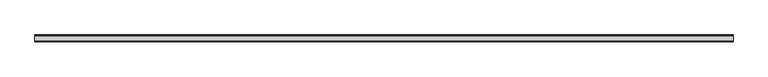
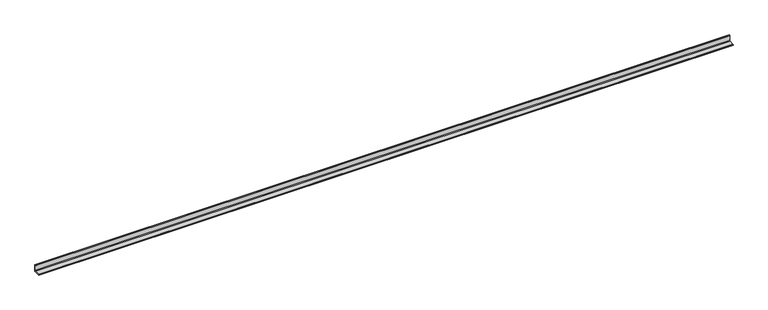
"""IFC4 building model written with IfcOpenShell, lengths in millimetres: beam geometry."""

import ifcopenshell
import ifcopenshell.guid

model = None  # the IFC model being written
_history = None  # IfcOwnerHistory: only IFC2X3 demands one
_inside = {}  # id of a spatial element -> (the spatial element, [elements in it])
_under = {}  # id of a project, library or spatial element -> (it, [spatial elements below it])
_declared = {}  # id of a project -> (the project, [libraries it declares])
_typed = {}  # id of a type object -> (the type object, [elements of that type])
_made_of = {}  # id of a material, layer set ... -> (it, [elements and type objects made of it])


def new_model(schema):
    """Start an empty IFC model of exactly this schema.

    Asked for "IFC4X3", IfcOpenShell would pick the latest addendum, in which some entities
    have other attributes; the version numbers below select the first issue.
    IFC2X3 requires an IfcOwnerHistory on every rooted entity: one is made here for all.
    """
    global model, _history
    if schema == "IFC4X3":
        model = ifcopenshell.file(schema_version=(4, 3, 0, 0))
    else:
        model = ifcopenshell.file(schema=schema)
    _inside.clear()
    _under.clear()
    _declared.clear()
    _typed.clear()
    _made_of.clear()
    _history = None
    if model.schema == "IFC2X3":
        org = make("IfcOrganization", Name="unknown")
        user = make(
            "IfcPersonAndOrganization",
            ThePerson=make("IfcPerson", FamilyName="unknown"),
            TheOrganization=org,
        )
        app = make(
            "IfcApplication",
            ApplicationDeveloper=org,
            Version="unknown",
            ApplicationFullName="unknown",
            ApplicationIdentifier="unknown",
        )
        _history = make(
            "IfcOwnerHistory",
            OwningUser=user,
            OwningApplication=app,
            ChangeAction="ADDED",
            CreationDate=0,
        )
    return model


def make(cls, **values):
    """One entity of the class cls with the attributes given. An attribute that is None is left unset."""
    return model.create_entity(
        cls, **{name: value for name, value in values.items() if value is not None}
    )


def rooted(cls, **values):
    """An entity with a GlobalId (a new one), such as an element, a storey or a relation."""
    return make(cls, GlobalId=ifcopenshell.guid.new(), OwnerHistory=_history, **values)


def si_unit(unit_type, name, prefix=None):
    """IfcSIUnit, for example si_unit("LENGTHUNIT", "METRE", prefix="MILLI")."""
    return make("IfcSIUnit", UnitType=unit_type, Prefix=prefix, Name=name)


def assignment(units):
    """IfcUnitAssignment: the units of a project."""
    return None if units is None else make("IfcUnitAssignment", Units=units)


def point(xyz):
    """IfcCartesianPoint."""
    return None if xyz is None else make("IfcCartesianPoint", Coordinates=xyz)


def direction(xyz):
    """IfcDirection."""
    return None if xyz is None else make("IfcDirection", DirectionRatios=xyz)


def frame(location, z_axis=None, x_axis=None):
    """IfcAxis2Placement3D, a coordinate frame: its origin and axes. An axis left out is left unset."""
    return make(
        "IfcAxis2Placement3D",
        Location=point(location),
        Axis=direction(z_axis),
        RefDirection=direction(x_axis),
    )


def frame_2d(location, x_axis=None):
    """IfcAxis2Placement2D, a coordinate frame in the plane: its origin and x axis."""
    return make(
        "IfcAxis2Placement2D", Location=point(location), RefDirection=direction(x_axis)
    )


def origin():
    """The frame at (0, 0, 0) with its axes left unset."""
    return frame((0.0, 0.0, 0.0))


def place(relative_to, where):
    """IfcLocalPlacement: puts the frame where relative to a parent placement (None: the world)."""
    return make(
        "IfcLocalPlacement", PlacementRelTo=relative_to, RelativePlacement=where
    )


def context(
    kind, dimensions, precision=None, world=None, true_north=None, identifier=None
):
    """IfcGeometricRepresentationContext, for example the 3D "Model" context."""
    return make(
        "IfcGeometricRepresentationContext",
        ContextIdentifier=identifier,
        ContextType=kind,
        CoordinateSpaceDimension=dimensions,
        Precision=precision,
        WorldCoordinateSystem=world,
        TrueNorth=true_north,
    )


def project(units=None, contexts=None):
    """IfcProject with its units and contexts."""
    return rooted(
        "IfcProject",
        Name="project",
        RepresentationContexts=contexts,
        UnitsInContext=assignment(units),
    )


def spatial(cls, under=None, at=None, **own):
    """A site, building, storey or space (cls), placed at a placement, below another one or the project."""
    s = rooted(cls, ObjectPlacement=at, **own)
    if under is not None:
        _under.setdefault(under.id(), (under, []))[1].append(s)
    return s


def polyline(points):
    """IfcPolyline through the points."""
    return make("IfcPolyline", Points=[point(p) for p in points])


def circle_curve(where, radius):
    """IfcCircle in the frame where."""
    return make("IfcCircle", Position=where, Radius=radius)


def trimmed(basis, trim1, trim2, sense, master):
    """IfcTrimmedCurve: the piece of a basis curve between two trims."""
    return make(
        "IfcTrimmedCurve",
        BasisCurve=basis,
        Trim1=trim1,
        Trim2=trim2,
        SenseAgreement=sense,
        MasterRepresentation=master,
    )


def segment(curve, same_sense, transition):
    """IfcCompositeCurveSegment."""
    return make(
        "IfcCompositeCurveSegment",
        Transition=transition,
        SameSense=same_sense,
        ParentCurve=curve,
    )


def composite_curve(segments, self_intersect=None):
    """IfcCompositeCurve: segments joined end to end."""
    return make("IfcCompositeCurve", Segments=segments, SelfIntersect=self_intersect)


def outline(outer, holes=None, kind="AREA"):
    """IfcArbitraryClosedProfileDef: a profile drawn as a closed curve; with holes, ...WithVoids."""
    if holes is None:
        return make("IfcArbitraryClosedProfileDef", ProfileType=kind, OuterCurve=outer)
    return make(
        "IfcArbitraryProfileDefWithVoids",
        ProfileType=kind,
        OuterCurve=outer,
        InnerCurves=holes,
    )


def extrude(swept, where, along, depth):
    """IfcExtrudedAreaSolid: the profile swept, set in the frame where, extruded along a direction by depth."""
    return make(
        "IfcExtrudedAreaSolid",
        SweptArea=swept,
        Position=where,
        ExtrudedDirection=direction(along),
        Depth=depth,
    )


def shape(context_of_items, identifier, shape_type, items):
    """IfcShapeRepresentation: the items that make up one representation, for example the "Body"."""
    return make(
        "IfcShapeRepresentation",
        ContextOfItems=context_of_items,
        RepresentationIdentifier=identifier,
        RepresentationType=shape_type,
        Items=items,
    )


def source(mapping_origin, context_of_items, identifier, shape_type, items):
    """IfcRepresentationMap: a shape defined once, which mapped items show again and again."""
    return make(
        "IfcRepresentationMap",
        MappingOrigin=mapping_origin,
        MappedRepresentation=shape(context_of_items, identifier, shape_type, items),
    )


def transform(
    local_origin,
    x_axis=None,
    y_axis=None,
    z_axis=None,
    scale=None,
    scale2=None,
    scale3=None,
    uniform=True,
):
    """IfcCartesianTransformationOperator3D, or its non-uniform kind. x_axis, y_axis, z_axis: its Axis1, 2, 3."""
    if uniform:
        return make(
            "IfcCartesianTransformationOperator3D",
            Axis1=direction(x_axis),
            Axis2=direction(y_axis),
            LocalOrigin=point(local_origin),
            Scale=scale,
            Axis3=direction(z_axis),
        )
    return make(
        "IfcCartesianTransformationOperator3DnonUniform",
        Axis1=direction(x_axis),
        Axis2=direction(y_axis),
        LocalOrigin=point(local_origin),
        Scale=scale,
        Axis3=direction(z_axis),
        Scale2=scale2,
        Scale3=scale3,
    )


def mapped(mapping_source, mapping_target):
    """IfcMappedItem: shows the shape of a source again, moved by a transform."""
    return make(
        "IfcMappedItem", MappingSource=mapping_source, MappingTarget=mapping_target
    )


def made_of(thing, what):
    """Note that an element or type object is made of a material, layer set ...; save() writes the relation."""
    if what is not None:
        _made_of.setdefault(what.id(), (what, []))[1].append(thing)
    return thing


def element(
    cls,
    number,
    at=None,
    inside=None,
    cuts=None,
    type_object=None,
    material=None,
    context=None,
    identifier="Body",
    shape_type=None,
    held_by="IfcProductDefinitionShape",
    body=None,
    shapes=None,
    **own,
):
    """One element of the class cls, such as IfcWall. Its Tag is "e" and its number.

    at: its placement. inside: the storey or other place that contains it. cuts: it is an
    opening in that element (IfcRelVoidsElement). A single representation is given by context,
    identifier, shape_type and body (its items); several are given by shapes. held_by: the class
    of the entity that holds the representations. save() writes the other relations.
    """
    e = rooted(cls, Tag="e%d" % number, ObjectPlacement=at, **own)
    if body is not None:
        shapes = [shape(context, identifier, shape_type, body)]
    if shapes is not None:
        e.Representation = make(held_by, Representations=shapes)
    if inside is not None:
        _inside.setdefault(inside.id(), (inside, []))[1].append(e)
    if cuts is not None:
        rooted(
            "IfcRelVoidsElement", RelatingBuildingElement=cuts, RelatedOpeningElement=e
        )
    if type_object is not None:
        _typed.setdefault(type_object.id(), (type_object, []))[1].append(e)
    return made_of(e, material)


def aggregate(whole, parts):
    """IfcRelAggregates: a whole, such as a stair, and the parts it consists of."""
    return rooted("IfcRelAggregates", RelatingObject=whole, RelatedObjects=parts)


def save(model, path):
    """Write the relations noted so far, then the file.

    IfcRelAggregates (storeys below a building ...), IfcRelContainedInSpatialStructure (elements
    in a storey), IfcRelDefinesByType, IfcRelAssociatesMaterial and IfcRelDeclares: one each for
    every whole, place, type object, material and project.
    """
    for whole, parts in _under.values():
        aggregate(whole, parts)
    for where, things in _inside.values():
        rooted(
            "IfcRelContainedInSpatialStructure",
            RelatedElements=things,
            RelatingStructure=where,
        )
    for kind, things in _typed.values():
        rooted("IfcRelDefinesByType", RelatedObjects=things, RelatingType=kind)
    for what, things in _made_of.values():
        rooted("IfcRelAssociatesMaterial", RelatedObjects=things, RelatingMaterial=what)
    for by, libraries in _declared.values():
        rooted("IfcRelDeclares", RelatingContext=by, RelatedDefinitions=libraries)
    model.write(path)


def beam_0eea826f(model_context):
    return source(origin(), model_context, "Body", "SweptSolid", [
        extrude(outline(composite_curve([segment(polyline([(21.3, -21.3), (-53.7, -21.3), (-53.7, -18.3)]), True, "CONTINUOUS"), segment(trimmed(circle_curve(frame_2d((-48.7, -18.3)), 5.0), [point((-53.7, -18.3))], [point((-48.7, -13.3))], False, "CARTESIAN"), True, "CONTINUOUS"), segment(polyline([(-48.7, -13.3), (5.3, -13.3)]), True, "CONTINUOUS"), segment(trimmed(circle_curve(frame_2d((5.3, -5.3)), 8.0), [point((5.3, -13.3))], [point((13.3, -5.3))], True, "CARTESIAN"), True, "CONTINUOUS"), segment(polyline([(13.3, -5.3), (13.3, 48.7)]), True, "CONTINUOUS"), segment(trimmed(circle_curve(frame_2d((18.3, 48.7)), 5.0), [point((13.3, 48.7))], [point((18.3, 53.7))], False, "CARTESIAN"), True, "CONTINUOUS"), segment(polyline([(18.3, 53.7), (21.3, 53.7), (21.3, -21.3)]), True, "CONTINUOUS")], self_intersect=False)), frame((-3880.0, 0.0, 0.0), z_axis=(1.0, 0.0, 0.0), x_axis=(0.0, 1.0, 0.0)), (0.0, 0.0, 1.0), 7709.0),
    ])


if __name__ == "__main__":
    model = new_model("IFC4")
    model_context = context("Model", 3, world=origin())
    ifc_project = project(units=[si_unit("LENGTHUNIT", "METRE", prefix="MILLI")], contexts=[model_context])
    site = spatial("IfcSite", under=ifc_project)
    building = spatial("IfcBuilding", under=site)
    placement = place(None, origin())
    beam_shape = beam_0eea826f(model_context)
    element("IfcBeam", 1, at=placement, inside=building, context=model_context, shape_type="MappedRepresentation", body=[
        mapped(beam_shape, transform((0.0, 0.0, 0.0), x_axis=(1.0, 0.0, 0.0), y_axis=(0.0, 1.0, 0.0), z_axis=(0.0, 0.0, 1.0))),
    ])
    save(model, "model.ifc")
